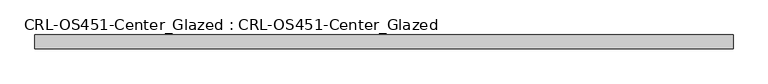
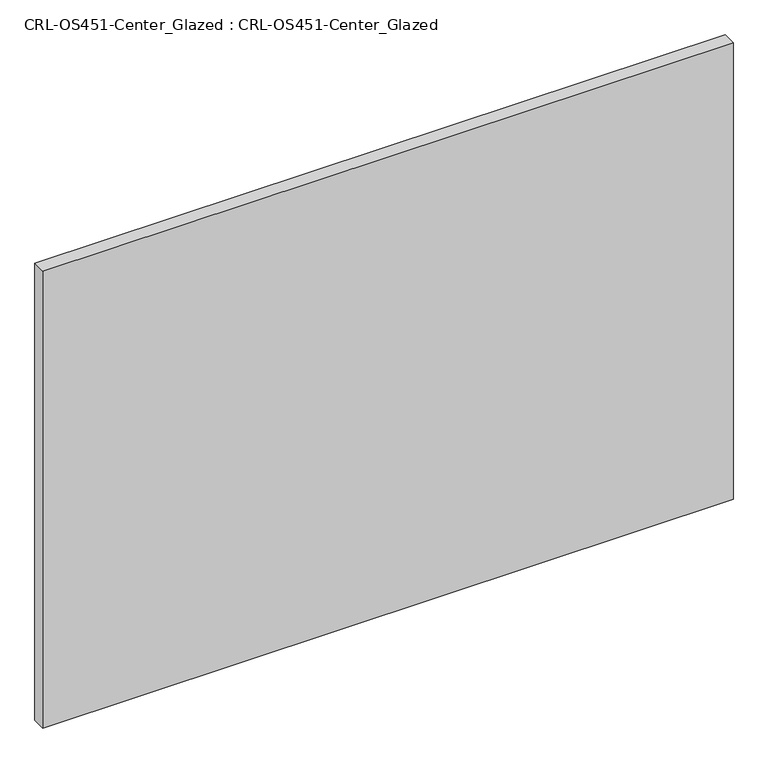
"""IFC4 building model written with IfcOpenShell, lengths in millimetres: plate geometry, CRL-OS451-Center_Glazed : CRL-OS451-Center_Glazed."""

from ifc_helpers import new_model, si_unit, origin, origin_with_axes, place, context, project, spatial, polyline, outline, extrude, source, transform, mapped, element, save


def crl_os451_center_glazed_crl_os451_center_glazed_9750d39a(model_context):
    return source(origin(), model_context, "Body", "SweptSolid", [
        extrude(outline(polyline([(-638.7041666, 12.709956), (638.7041666, 12.709956), (638.7041666, -12.709956), (-638.7041666, -12.709956), (-638.7041666, 12.709956)])), origin_with_axes(), (0.0, 0.0, 1.0), 893.4410342),
    ])


if __name__ == "__main__":
    model = new_model("IFC4")
    model_context = context("Model", 3, world=origin())
    ifc_project = project(units=[si_unit("LENGTHUNIT", "METRE", prefix="MILLI")], contexts=[model_context])
    site = spatial("IfcSite", under=ifc_project)
    building = spatial("IfcBuilding", under=site)
    placement = place(None, origin())
    crl_os451_center_glazed_crl_os451_center_glazed_shape = crl_os451_center_glazed_crl_os451_center_glazed_9750d39a(model_context)
    element("IfcPlate", 1, ObjectType="CRL-OS451-Center_Glazed : CRL-OS451-Center_Glazed", at=placement, inside=building, context=model_context, shape_type="MappedRepresentation", body=[
        mapped(crl_os451_center_glazed_crl_os451_center_glazed_shape, transform((0.0, 0.0, 0.0), x_axis=(1.0, 0.0, 0.0), y_axis=(0.0, 1.0, 0.0), z_axis=(0.0, 0.0, 1.0))),
    ])
    save(model, "model.ifc")
